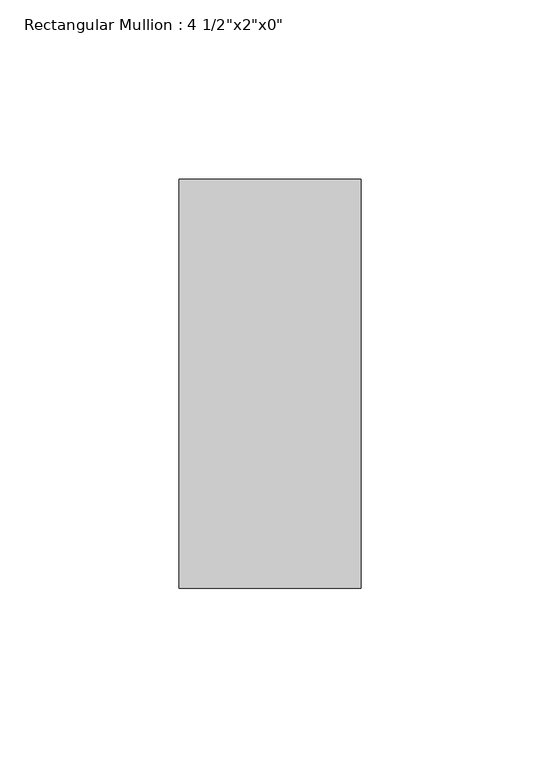
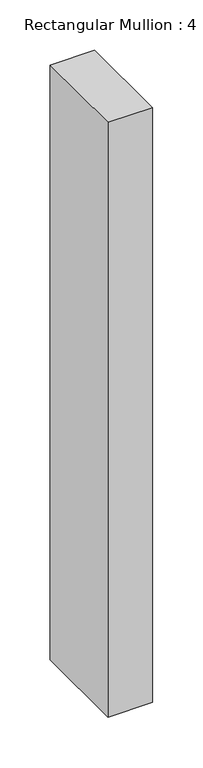
"""IFC4 building model written with IfcOpenShell, lengths in millimetres: member geometry."""

from ifc_helpers import new_model, si_unit, frame, origin, place, context, project, spatial, polyline, outline, extrude, source, transform, mapped, element, save


def member_62c4eebf(model_context):
    return source(origin(), model_context, "Body", "SweptSolid", [
        extrude(outline(polyline([(0.0, 57.15), (0.0, -57.15), (-50.8, -57.15), (-50.8, 57.15), (0.0, 57.15)])), frame((0.0, 0.0, -719.6666667), z_axis=(0.0, 0.0, 1.0), x_axis=(1.0, 0.0, 0.0)), (0.0, 0.0, 1.0), 719.6666667),
    ])


if __name__ == "__main__":
    model = new_model("IFC4")
    model_context = context("Model", 3, world=origin())
    ifc_project = project(units=[si_unit("LENGTHUNIT", "METRE", prefix="MILLI")], contexts=[model_context])
    site = spatial("IfcSite", under=ifc_project)
    building = spatial("IfcBuilding", under=site)
    placement = place(None, origin())
    member_shape = member_62c4eebf(model_context)
    element("IfcMember", 1, ObjectType="Rectangular Mullion : 4 1/2\"x2\"x0\"", at=placement, inside=building, context=model_context, shape_type="MappedRepresentation", body=[
        mapped(member_shape, transform((0.0, 0.0, 0.0), x_axis=(1.0, 0.0, 0.0), y_axis=(0.0, 1.0, 0.0), z_axis=(0.0, 0.0, 1.0))),
    ])
    save(model, "model.ifc")
